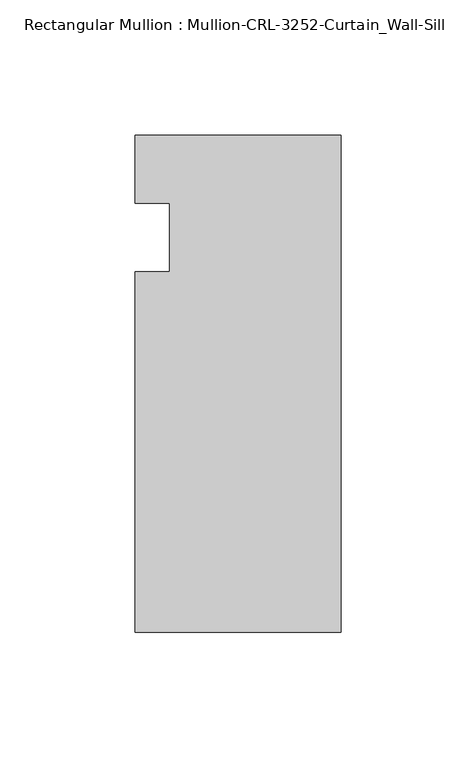
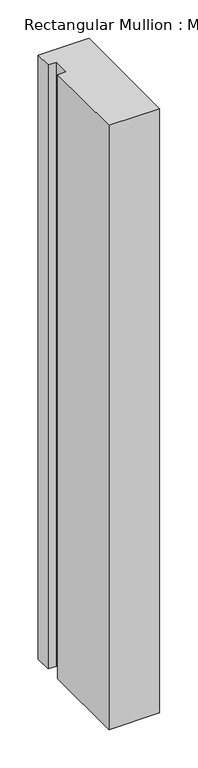
"""IFC4 building model written with IfcOpenShell, lengths in millimetres: member geometry, Rectangular Mullion : Mullion-CRL-3252-Curtain_Wall-Sill."""

from ifc_helpers import new_model, si_unit, frame, origin, place, context, project, spatial, polyline, outline, extrude, source, transform, mapped, element, save


def rectangular_mullion_mullion_crl_3252_curtain_wall_sill_b94192f7(model_context):
    return source(origin(), model_context, "Body", "SweptSolid", [
        extrude(outline(polyline([(0.0, 37.8710195), (0.0, -146.0054758), (-76.2018563, -146.0054758), (-76.2018563, -12.7), (-63.4961173, -12.7), (-63.4961173, 12.7), (-76.2018563, 12.7), (-76.2018563, 37.8710195), (0.0, 37.8710195)])), frame((0.0, 0.0, -959.1124962), z_axis=(0.0, 0.0, 1.0), x_axis=(1.0, 0.0, 0.0)), (0.0, 0.0, 1.0), 959.1124962),
    ])


if __name__ == "__main__":
    model = new_model("IFC4")
    model_context = context("Model", 3, world=origin())
    ifc_project = project(units=[si_unit("LENGTHUNIT", "METRE", prefix="MILLI")], contexts=[model_context])
    site = spatial("IfcSite", under=ifc_project)
    building = spatial("IfcBuilding", under=site)
    placement = place(None, origin())
    rectangular_mullion_mullion_crl_3252_curtain_wall_sill_shape = rectangular_mullion_mullion_crl_3252_curtain_wall_sill_b94192f7(model_context)
    element("IfcMember", 1, ObjectType="Rectangular Mullion : Mullion-CRL-3252-Curtain_Wall-Sill", at=placement, inside=building, context=model_context, shape_type="MappedRepresentation", body=[
        mapped(rectangular_mullion_mullion_crl_3252_curtain_wall_sill_shape, transform((0.0, 0.0, 0.0), x_axis=(1.0, 0.0, 0.0), y_axis=(0.0, 1.0, 0.0), z_axis=(0.0, 0.0, 1.0))),
    ])
    save(model, "model.ifc")
